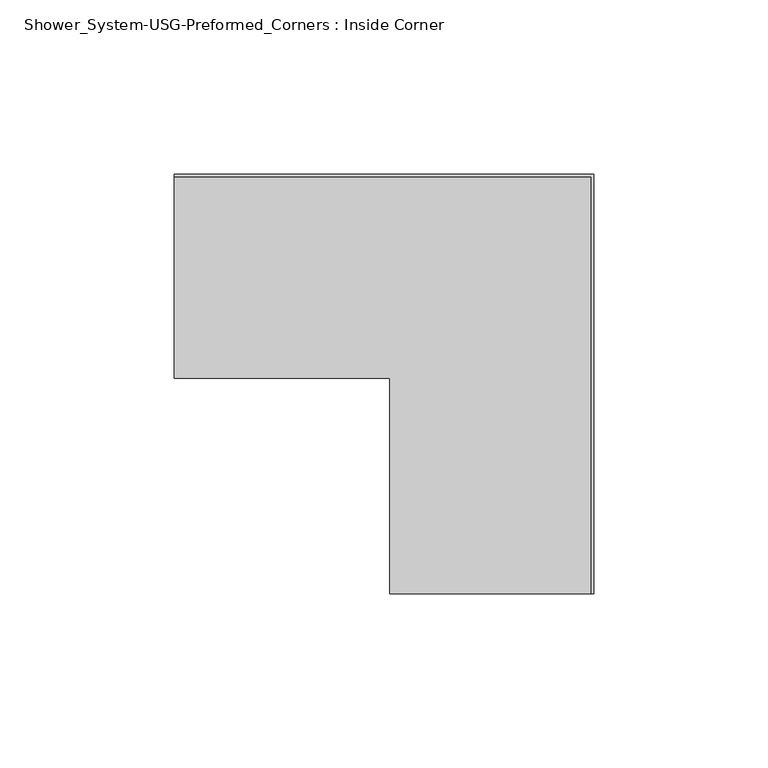
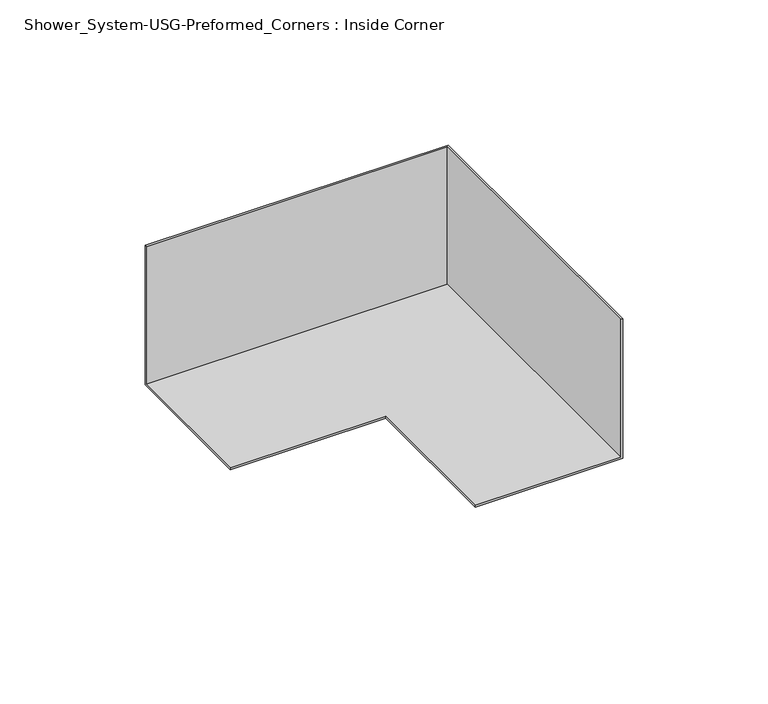
"""IFC4 building model written with IfcOpenShell, lengths in millimetres: proxy geometry, Shower_System-USG-Preformed_Corners : Inside Corner."""

import ifcopenshell
import ifcopenshell.guid

model = None  # the IFC model being written
_history = None  # IfcOwnerHistory: only IFC2X3 demands one
_inside = {}  # id of a spatial element -> (the spatial element, [elements in it])
_under = {}  # id of a project, library or spatial element -> (it, [spatial elements below it])
_declared = {}  # id of a project -> (the project, [libraries it declares])
_typed = {}  # id of a type object -> (the type object, [elements of that type])
_made_of = {}  # id of a material, layer set ... -> (it, [elements and type objects made of it])


def new_model(schema):
    """Start an empty IFC model of exactly this schema.

    Asked for "IFC4X3", IfcOpenShell would pick the latest addendum, in which some entities
    have other attributes; the version numbers below select the first issue.
    IFC2X3 requires an IfcOwnerHistory on every rooted entity: one is made here for all.
    """
    global model, _history
    if schema == "IFC4X3":
        model = ifcopenshell.file(schema_version=(4, 3, 0, 0))
    else:
        model = ifcopenshell.file(schema=schema)
    _inside.clear()
    _under.clear()
    _declared.clear()
    _typed.clear()
    _made_of.clear()
    _history = None
    if model.schema == "IFC2X3":
        org = make("IfcOrganization", Name="unknown")
        user = make(
            "IfcPersonAndOrganization",
            ThePerson=make("IfcPerson", FamilyName="unknown"),
            TheOrganization=org,
        )
        app = make(
            "IfcApplication",
            ApplicationDeveloper=org,
            Version="unknown",
            ApplicationFullName="unknown",
            ApplicationIdentifier="unknown",
        )
        _history = make(
            "IfcOwnerHistory",
            OwningUser=user,
            OwningApplication=app,
            ChangeAction="ADDED",
            CreationDate=0,
        )
    return model


def make(cls, **values):
    """One entity of the class cls with the attributes given. An attribute that is None is left unset."""
    return model.create_entity(
        cls, **{name: value for name, value in values.items() if value is not None}
    )


def rooted(cls, **values):
    """An entity with a GlobalId (a new one), such as an element, a storey or a relation."""
    return make(cls, GlobalId=ifcopenshell.guid.new(), OwnerHistory=_history, **values)


def si_unit(unit_type, name, prefix=None):
    """IfcSIUnit, for example si_unit("LENGTHUNIT", "METRE", prefix="MILLI")."""
    return make("IfcSIUnit", UnitType=unit_type, Prefix=prefix, Name=name)


def assignment(units):
    """IfcUnitAssignment: the units of a project."""
    return None if units is None else make("IfcUnitAssignment", Units=units)


def point(xyz):
    """IfcCartesianPoint."""
    return None if xyz is None else make("IfcCartesianPoint", Coordinates=xyz)


def direction(xyz):
    """IfcDirection."""
    return None if xyz is None else make("IfcDirection", DirectionRatios=xyz)


def frame(location, z_axis=None, x_axis=None):
    """IfcAxis2Placement3D, a coordinate frame: its origin and axes. An axis left out is left unset."""
    return make(
        "IfcAxis2Placement3D",
        Location=point(location),
        Axis=direction(z_axis),
        RefDirection=direction(x_axis),
    )


def origin():
    """The frame at (0, 0, 0) with its axes left unset."""
    return frame((0.0, 0.0, 0.0))


def place(relative_to, where):
    """IfcLocalPlacement: puts the frame where relative to a parent placement (None: the world)."""
    return make(
        "IfcLocalPlacement", PlacementRelTo=relative_to, RelativePlacement=where
    )


def context(
    kind, dimensions, precision=None, world=None, true_north=None, identifier=None
):
    """IfcGeometricRepresentationContext, for example the 3D "Model" context."""
    return make(
        "IfcGeometricRepresentationContext",
        ContextIdentifier=identifier,
        ContextType=kind,
        CoordinateSpaceDimension=dimensions,
        Precision=precision,
        WorldCoordinateSystem=world,
        TrueNorth=true_north,
    )


def project(units=None, contexts=None):
    """IfcProject with its units and contexts."""
    return rooted(
        "IfcProject",
        Name="project",
        RepresentationContexts=contexts,
        UnitsInContext=assignment(units),
    )


def spatial(cls, under=None, at=None, **own):
    """A site, building, storey or space (cls), placed at a placement, below another one or the project."""
    s = rooted(cls, ObjectPlacement=at, **own)
    if under is not None:
        _under.setdefault(under.id(), (under, []))[1].append(s)
    return s


def faces_of(points, faces, orient=None, outer=None):
    """IfcFace entities. A face is a list of loops; a loop is a list of indices into points, from 0.

    orient and outer hold one flag for each loop. By default every Orientation is true, the
    first loop of a face is its IfcFaceOuterBound and the others are IfcFaceBound.
    """
    made = []
    for i, loops in enumerate(faces):
        bounds = []
        for j, loop in enumerate(loops):
            is_outer = j == 0 if outer is None else outer[i][j]
            bounds.append(
                make(
                    "IfcFaceOuterBound" if is_outer else "IfcFaceBound",
                    Bound=make("IfcPolyLoop", Polygon=[points[k] for k in loop]),
                    Orientation=True if orient is None else orient[i][j],
                )
            )
        made.append(make("IfcFace", Bounds=bounds))
    return made


def faceted_brep(points, faces, orient=None, outer=None, voids=None):
    """IfcFacetedBrep: a solid bounded by flat faces; with voids (closed shells), ...WithVoids."""
    shared = [point(p) for p in points]
    hull = make("IfcClosedShell", CfsFaces=faces_of(shared, faces, orient, outer))
    if voids is None:
        return make("IfcFacetedBrep", Outer=hull)
    return make(
        "IfcFacetedBrepWithVoids",
        Outer=hull,
        Voids=[
            make(cls, CfsFaces=faces_of(shared, fs, o, b)) for cls, fs, o, b in voids
        ],
    )


def shape(context_of_items, identifier, shape_type, items):
    """IfcShapeRepresentation: the items that make up one representation, for example the "Body"."""
    return make(
        "IfcShapeRepresentation",
        ContextOfItems=context_of_items,
        RepresentationIdentifier=identifier,
        RepresentationType=shape_type,
        Items=items,
    )


def source(mapping_origin, context_of_items, identifier, shape_type, items):
    """IfcRepresentationMap: a shape defined once, which mapped items show again and again."""
    return make(
        "IfcRepresentationMap",
        MappingOrigin=mapping_origin,
        MappedRepresentation=shape(context_of_items, identifier, shape_type, items),
    )


def transform(
    local_origin,
    x_axis=None,
    y_axis=None,
    z_axis=None,
    scale=None,
    scale2=None,
    scale3=None,
    uniform=True,
):
    """IfcCartesianTransformationOperator3D, or its non-uniform kind. x_axis, y_axis, z_axis: its Axis1, 2, 3."""
    if uniform:
        return make(
            "IfcCartesianTransformationOperator3D",
            Axis1=direction(x_axis),
            Axis2=direction(y_axis),
            LocalOrigin=point(local_origin),
            Scale=scale,
            Axis3=direction(z_axis),
        )
    return make(
        "IfcCartesianTransformationOperator3DnonUniform",
        Axis1=direction(x_axis),
        Axis2=direction(y_axis),
        LocalOrigin=point(local_origin),
        Scale=scale,
        Axis3=direction(z_axis),
        Scale2=scale2,
        Scale3=scale3,
    )


def mapped(mapping_source, mapping_target):
    """IfcMappedItem: shows the shape of a source again, moved by a transform."""
    return make(
        "IfcMappedItem", MappingSource=mapping_source, MappingTarget=mapping_target
    )


def made_of(thing, what):
    """Note that an element or type object is made of a material, layer set ...; save() writes the relation."""
    if what is not None:
        _made_of.setdefault(what.id(), (what, []))[1].append(thing)
    return thing


def element(
    cls,
    number,
    at=None,
    inside=None,
    cuts=None,
    type_object=None,
    material=None,
    context=None,
    identifier="Body",
    shape_type=None,
    held_by="IfcProductDefinitionShape",
    body=None,
    shapes=None,
    **own,
):
    """One element of the class cls, such as IfcWall. Its Tag is "e" and its number.

    at: its placement. inside: the storey or other place that contains it. cuts: it is an
    opening in that element (IfcRelVoidsElement). A single representation is given by context,
    identifier, shape_type and body (its items); several are given by shapes. held_by: the class
    of the entity that holds the representations. save() writes the other relations.
    """
    e = rooted(cls, Tag="e%d" % number, ObjectPlacement=at, **own)
    if body is not None:
        shapes = [shape(context, identifier, shape_type, body)]
    if shapes is not None:
        e.Representation = make(held_by, Representations=shapes)
    if inside is not None:
        _inside.setdefault(inside.id(), (inside, []))[1].append(e)
    if cuts is not None:
        rooted(
            "IfcRelVoidsElement", RelatingBuildingElement=cuts, RelatedOpeningElement=e
        )
    if type_object is not None:
        _typed.setdefault(type_object.id(), (type_object, []))[1].append(e)
    return made_of(e, material)


def aggregate(whole, parts):
    """IfcRelAggregates: a whole, such as a stair, and the parts it consists of."""
    return rooted("IfcRelAggregates", RelatingObject=whole, RelatedObjects=parts)


def save(model, path):
    """Write the relations noted so far, then the file.

    IfcRelAggregates (storeys below a building ...), IfcRelContainedInSpatialStructure (elements
    in a storey), IfcRelDefinesByType, IfcRelAssociatesMaterial and IfcRelDeclares: one each for
    every whole, place, type object, material and project.
    """
    for whole, parts in _under.values():
        aggregate(whole, parts)
    for where, things in _inside.values():
        rooted(
            "IfcRelContainedInSpatialStructure",
            RelatedElements=things,
            RelatingStructure=where,
        )
    for kind, things in _typed.values():
        rooted("IfcRelDefinesByType", RelatedObjects=things, RelatingType=kind)
    for what, things in _made_of.values():
        rooted("IfcRelAssociatesMaterial", RelatedObjects=things, RelatingMaterial=what)
    for by, libraries in _declared.values():
        rooted("IfcRelDeclares", RelatingContext=by, RelatedDefinitions=libraries)
    model.write(path)


def shower_system_usg_preformed_corners_inside_corner_bd0a838a(model_context):
    return source(origin(), model_context, "Body", "Brep", [
        faceted_brep([(60.325, -60.325, 58.7375), (59.53125, -60.325, 58.7375), (59.53125, -60.325, 0.79375), (1.5875, -60.325, 0.79375), (1.5875, -60.325, 0.0), (60.325, -60.325, 0.0), (-60.325, 60.325, 58.7375), (-60.325, 60.325, 0.0), (-60.325, 1.5875, 0.0), (-60.325, 1.5875, 0.79375), (-60.325, 59.53125, 0.79375), (-60.325, 59.53125, 58.7375), (60.325, 60.325, 0.0), (60.325, 60.325, 58.7375), (1.5875, 1.5875, 0.0), (1.5875, 1.5875, 0.79375), (59.53125, 59.53125, 0.79375), (59.53125, 59.53125, 58.7375)], [[[0, 1, 2, 3, 4, 5]], [[6, 7, 8, 9, 10, 11]], [[5, 12, 13, 0]], [[4, 14, 8, 7, 12, 5]], [[3, 15, 14, 4]], [[2, 16, 10, 9, 15, 3]], [[1, 17, 16, 2]], [[0, 13, 6, 11, 17, 1]], [[12, 7, 6, 13]], [[15, 9, 8, 14]], [[17, 11, 10, 16]]]),
    ])


if __name__ == "__main__":
    model = new_model("IFC4")
    model_context = context("Model", 3, world=origin())
    ifc_project = project(units=[si_unit("LENGTHUNIT", "METRE", prefix="MILLI")], contexts=[model_context])
    site = spatial("IfcSite", under=ifc_project)
    building = spatial("IfcBuilding", under=site)
    placement = place(None, origin())
    shower_system_usg_preformed_corners_inside_corner_shape = shower_system_usg_preformed_corners_inside_corner_bd0a838a(model_context)
    element("IfcBuildingElementProxy", 1, Name="Shower_System-USG-Preformed_Corners : Inside Corner", ObjectType="Shower_System-USG-Preformed_Corners : Inside Corner", at=placement, inside=building, context=model_context, shape_type="MappedRepresentation", body=[
        mapped(shower_system_usg_preformed_corners_inside_corner_shape, transform((0.0, 0.0, 0.0), x_axis=(1.0, 0.0, 0.0), y_axis=(0.0, 1.0, 0.0), z_axis=(0.0, 0.0, 1.0))),
    ])
    save(model, "model.ifc")
